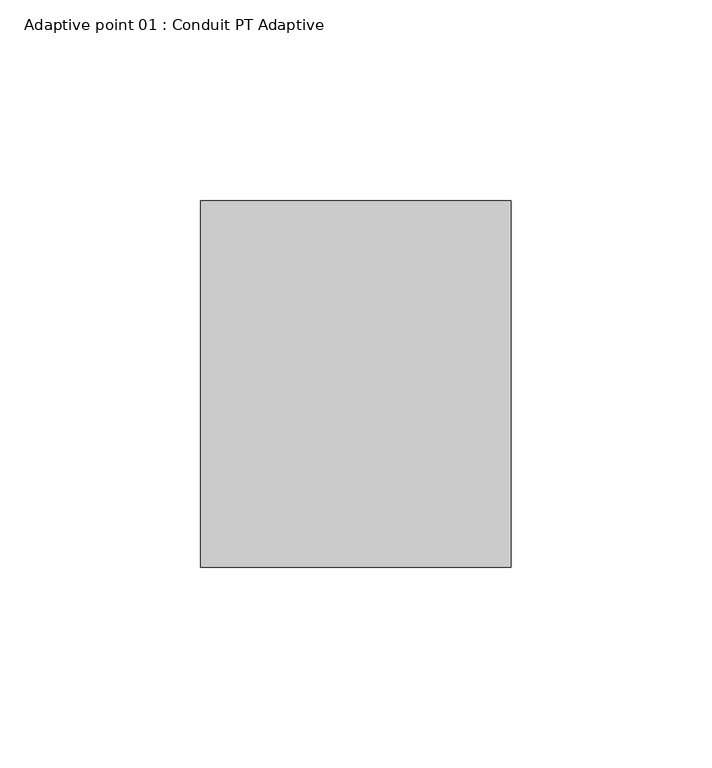
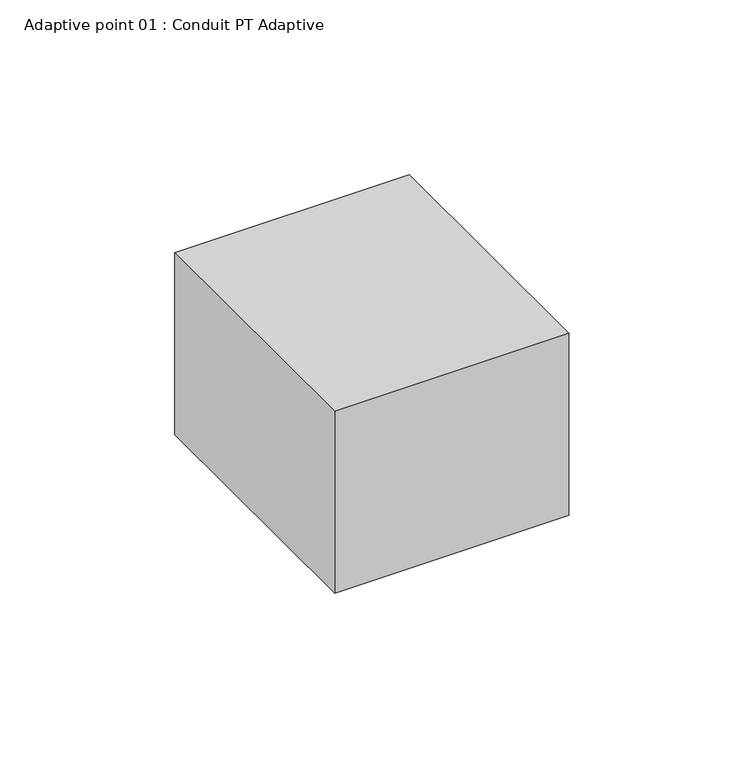
"""IFC4 building model written with IfcOpenShell, lengths in millimetres: proxy geometry, Adaptive point 01 : Conduit PT Adaptive."""

from ifc_helpers import new_model, si_unit, origin, origin_with_axes, place, context, project, spatial, polyline, outline, extrude, source, transform, mapped, element, save


def adaptive_point_01_conduit_pt_adaptive_4d6ec40d(model_context):
    return source(origin(), model_context, "Body", "SweptSolid", [
        extrude(outline(polyline([(0.0, 52.0424735), (0.0, -39.2426974), (-77.4010954, -39.2426974), (-77.4010954, 52.0424735), (0.0, 52.0424735)])), origin_with_axes(), (0.0, 0.0, 1.0), 63.5200456),
    ])


if __name__ == "__main__":
    model = new_model("IFC4")
    model_context = context("Model", 3, world=origin())
    ifc_project = project(units=[si_unit("LENGTHUNIT", "METRE", prefix="MILLI")], contexts=[model_context])
    site = spatial("IfcSite", under=ifc_project)
    building = spatial("IfcBuilding", under=site)
    placement = place(None, origin())
    adaptive_point_01_conduit_pt_adaptive_shape = adaptive_point_01_conduit_pt_adaptive_4d6ec40d(model_context)
    element("IfcBuildingElementProxy", 1, Name="Adaptive point 01 : Conduit PT Adaptive", ObjectType="Adaptive point 01 : Conduit PT Adaptive", at=placement, inside=building, context=model_context, shape_type="MappedRepresentation", body=[
        mapped(adaptive_point_01_conduit_pt_adaptive_shape, transform((0.0, 0.0, 0.0), x_axis=(1.0, 0.0, 0.0), y_axis=(0.0, 1.0, 0.0), z_axis=(0.0, 0.0, 1.0))),
    ])
    save(model, "model.ifc")
